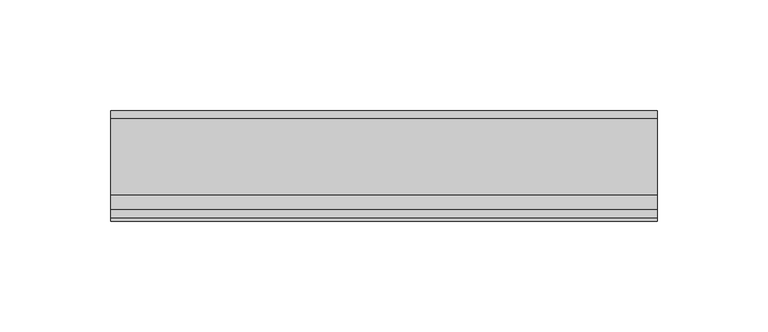
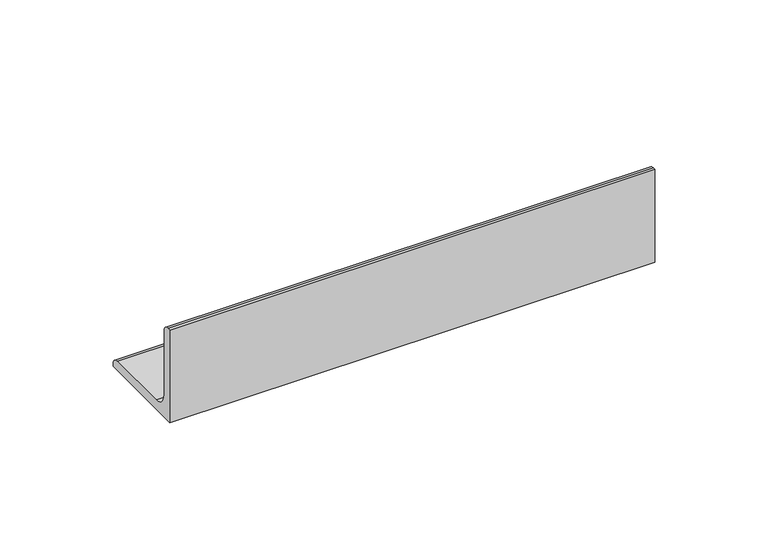
"""IFC4 building model written with IfcOpenShell, lengths in millimetres: beam geometry."""

import ifcopenshell
import ifcopenshell.guid

model = None  # the IFC model being written
_history = None  # IfcOwnerHistory: only IFC2X3 demands one
_inside = {}  # id of a spatial element -> (the spatial element, [elements in it])
_under = {}  # id of a project, library or spatial element -> (it, [spatial elements below it])
_declared = {}  # id of a project -> (the project, [libraries it declares])
_typed = {}  # id of a type object -> (the type object, [elements of that type])
_made_of = {}  # id of a material, layer set ... -> (it, [elements and type objects made of it])


def new_model(schema):
    """Start an empty IFC model of exactly this schema.

    Asked for "IFC4X3", IfcOpenShell would pick the latest addendum, in which some entities
    have other attributes; the version numbers below select the first issue.
    IFC2X3 requires an IfcOwnerHistory on every rooted entity: one is made here for all.
    """
    global model, _history
    if schema == "IFC4X3":
        model = ifcopenshell.file(schema_version=(4, 3, 0, 0))
    else:
        model = ifcopenshell.file(schema=schema)
    _inside.clear()
    _under.clear()
    _declared.clear()
    _typed.clear()
    _made_of.clear()
    _history = None
    if model.schema == "IFC2X3":
        org = make("IfcOrganization", Name="unknown")
        user = make(
            "IfcPersonAndOrganization",
            ThePerson=make("IfcPerson", FamilyName="unknown"),
            TheOrganization=org,
        )
        app = make(
            "IfcApplication",
            ApplicationDeveloper=org,
            Version="unknown",
            ApplicationFullName="unknown",
            ApplicationIdentifier="unknown",
        )
        _history = make(
            "IfcOwnerHistory",
            OwningUser=user,
            OwningApplication=app,
            ChangeAction="ADDED",
            CreationDate=0,
        )
    return model


def make(cls, **values):
    """One entity of the class cls with the attributes given. An attribute that is None is left unset."""
    return model.create_entity(
        cls, **{name: value for name, value in values.items() if value is not None}
    )


def rooted(cls, **values):
    """An entity with a GlobalId (a new one), such as an element, a storey or a relation."""
    return make(cls, GlobalId=ifcopenshell.guid.new(), OwnerHistory=_history, **values)


def si_unit(unit_type, name, prefix=None):
    """IfcSIUnit, for example si_unit("LENGTHUNIT", "METRE", prefix="MILLI")."""
    return make("IfcSIUnit", UnitType=unit_type, Prefix=prefix, Name=name)


def assignment(units):
    """IfcUnitAssignment: the units of a project."""
    return None if units is None else make("IfcUnitAssignment", Units=units)


def point(xyz):
    """IfcCartesianPoint."""
    return None if xyz is None else make("IfcCartesianPoint", Coordinates=xyz)


def direction(xyz):
    """IfcDirection."""
    return None if xyz is None else make("IfcDirection", DirectionRatios=xyz)


def frame(location, z_axis=None, x_axis=None):
    """IfcAxis2Placement3D, a coordinate frame: its origin and axes. An axis left out is left unset."""
    return make(
        "IfcAxis2Placement3D",
        Location=point(location),
        Axis=direction(z_axis),
        RefDirection=direction(x_axis),
    )


def frame_2d(location, x_axis=None):
    """IfcAxis2Placement2D, a coordinate frame in the plane: its origin and x axis."""
    return make(
        "IfcAxis2Placement2D", Location=point(location), RefDirection=direction(x_axis)
    )


def origin():
    """The frame at (0, 0, 0) with its axes left unset."""
    return frame((0.0, 0.0, 0.0))


def place(relative_to, where):
    """IfcLocalPlacement: puts the frame where relative to a parent placement (None: the world)."""
    return make(
        "IfcLocalPlacement", PlacementRelTo=relative_to, RelativePlacement=where
    )


def context(
    kind, dimensions, precision=None, world=None, true_north=None, identifier=None
):
    """IfcGeometricRepresentationContext, for example the 3D "Model" context."""
    return make(
        "IfcGeometricRepresentationContext",
        ContextIdentifier=identifier,
        ContextType=kind,
        CoordinateSpaceDimension=dimensions,
        Precision=precision,
        WorldCoordinateSystem=world,
        TrueNorth=true_north,
    )


def project(units=None, contexts=None):
    """IfcProject with its units and contexts."""
    return rooted(
        "IfcProject",
        Name="project",
        RepresentationContexts=contexts,
        UnitsInContext=assignment(units),
    )


def spatial(cls, under=None, at=None, **own):
    """A site, building, storey or space (cls), placed at a placement, below another one or the project."""
    s = rooted(cls, ObjectPlacement=at, **own)
    if under is not None:
        _under.setdefault(under.id(), (under, []))[1].append(s)
    return s


def polyline(points):
    """IfcPolyline through the points."""
    return make("IfcPolyline", Points=[point(p) for p in points])


def circle_curve(where, radius):
    """IfcCircle in the frame where."""
    return make("IfcCircle", Position=where, Radius=radius)


def trimmed(basis, trim1, trim2, sense, master):
    """IfcTrimmedCurve: the piece of a basis curve between two trims."""
    return make(
        "IfcTrimmedCurve",
        BasisCurve=basis,
        Trim1=trim1,
        Trim2=trim2,
        SenseAgreement=sense,
        MasterRepresentation=master,
    )


def segment(curve, same_sense, transition):
    """IfcCompositeCurveSegment."""
    return make(
        "IfcCompositeCurveSegment",
        Transition=transition,
        SameSense=same_sense,
        ParentCurve=curve,
    )


def composite_curve(segments, self_intersect=None):
    """IfcCompositeCurve: segments joined end to end."""
    return make("IfcCompositeCurve", Segments=segments, SelfIntersect=self_intersect)


def outline(outer, holes=None, kind="AREA"):
    """IfcArbitraryClosedProfileDef: a profile drawn as a closed curve; with holes, ...WithVoids."""
    if holes is None:
        return make("IfcArbitraryClosedProfileDef", ProfileType=kind, OuterCurve=outer)
    return make(
        "IfcArbitraryProfileDefWithVoids",
        ProfileType=kind,
        OuterCurve=outer,
        InnerCurves=holes,
    )


def extrude(swept, where, along, depth):
    """IfcExtrudedAreaSolid: the profile swept, set in the frame where, extruded along a direction by depth."""
    return make(
        "IfcExtrudedAreaSolid",
        SweptArea=swept,
        Position=where,
        ExtrudedDirection=direction(along),
        Depth=depth,
    )


def shape(context_of_items, identifier, shape_type, items):
    """IfcShapeRepresentation: the items that make up one representation, for example the "Body"."""
    return make(
        "IfcShapeRepresentation",
        ContextOfItems=context_of_items,
        RepresentationIdentifier=identifier,
        RepresentationType=shape_type,
        Items=items,
    )


def source(mapping_origin, context_of_items, identifier, shape_type, items):
    """IfcRepresentationMap: a shape defined once, which mapped items show again and again."""
    return make(
        "IfcRepresentationMap",
        MappingOrigin=mapping_origin,
        MappedRepresentation=shape(context_of_items, identifier, shape_type, items),
    )


def transform(
    local_origin,
    x_axis=None,
    y_axis=None,
    z_axis=None,
    scale=None,
    scale2=None,
    scale3=None,
    uniform=True,
):
    """IfcCartesianTransformationOperator3D, or its non-uniform kind. x_axis, y_axis, z_axis: its Axis1, 2, 3."""
    if uniform:
        return make(
            "IfcCartesianTransformationOperator3D",
            Axis1=direction(x_axis),
            Axis2=direction(y_axis),
            LocalOrigin=point(local_origin),
            Scale=scale,
            Axis3=direction(z_axis),
        )
    return make(
        "IfcCartesianTransformationOperator3DnonUniform",
        Axis1=direction(x_axis),
        Axis2=direction(y_axis),
        LocalOrigin=point(local_origin),
        Scale=scale,
        Axis3=direction(z_axis),
        Scale2=scale2,
        Scale3=scale3,
    )


def mapped(mapping_source, mapping_target):
    """IfcMappedItem: shows the shape of a source again, moved by a transform."""
    return make(
        "IfcMappedItem", MappingSource=mapping_source, MappingTarget=mapping_target
    )


def made_of(thing, what):
    """Note that an element or type object is made of a material, layer set ...; save() writes the relation."""
    if what is not None:
        _made_of.setdefault(what.id(), (what, []))[1].append(thing)
    return thing


def element(
    cls,
    number,
    at=None,
    inside=None,
    cuts=None,
    type_object=None,
    material=None,
    context=None,
    identifier="Body",
    shape_type=None,
    held_by="IfcProductDefinitionShape",
    body=None,
    shapes=None,
    **own,
):
    """One element of the class cls, such as IfcWall. Its Tag is "e" and its number.

    at: its placement. inside: the storey or other place that contains it. cuts: it is an
    opening in that element (IfcRelVoidsElement). A single representation is given by context,
    identifier, shape_type and body (its items); several are given by shapes. held_by: the class
    of the entity that holds the representations. save() writes the other relations.
    """
    e = rooted(cls, Tag="e%d" % number, ObjectPlacement=at, **own)
    if body is not None:
        shapes = [shape(context, identifier, shape_type, body)]
    if shapes is not None:
        e.Representation = make(held_by, Representations=shapes)
    if inside is not None:
        _inside.setdefault(inside.id(), (inside, []))[1].append(e)
    if cuts is not None:
        rooted(
            "IfcRelVoidsElement", RelatingBuildingElement=cuts, RelatedOpeningElement=e
        )
    if type_object is not None:
        _typed.setdefault(type_object.id(), (type_object, []))[1].append(e)
    return made_of(e, material)


def aggregate(whole, parts):
    """IfcRelAggregates: a whole, such as a stair, and the parts it consists of."""
    return rooted("IfcRelAggregates", RelatingObject=whole, RelatedObjects=parts)


def save(model, path):
    """Write the relations noted so far, then the file.

    IfcRelAggregates (storeys below a building ...), IfcRelContainedInSpatialStructure (elements
    in a storey), IfcRelDefinesByType, IfcRelAssociatesMaterial and IfcRelDeclares: one each for
    every whole, place, type object, material and project.
    """
    for whole, parts in _under.values():
        aggregate(whole, parts)
    for where, things in _inside.values():
        rooted(
            "IfcRelContainedInSpatialStructure",
            RelatedElements=things,
            RelatingStructure=where,
        )
    for kind, things in _typed.values():
        rooted("IfcRelDefinesByType", RelatedObjects=things, RelatingType=kind)
    for what, things in _made_of.values():
        rooted("IfcRelAssociatesMaterial", RelatedObjects=things, RelatingMaterial=what)
    for by, libraries in _declared.values():
        rooted("IfcRelDeclares", RelatingContext=by, RelatedDefinitions=libraries)
    model.write(path)


def beam_ea455086(model_context):
    return source(origin(), model_context, "Body", "SweptSolid", [
        extrude(outline(composite_curve([segment(polyline([(-14.04, -14.04), (-14.04, 35.96), (-12.54, 35.96)]), True, "CONTINUOUS"), segment(trimmed(circle_curve(frame_2d((-12.54, 32.46)), 3.5), [point((-12.54, 35.96))], [point((-9.04, 32.46))], False, "CARTESIAN"), True, "CONTINUOUS"), segment(polyline([(-9.04, 32.46), (-9.04, -2.04)]), True, "CONTINUOUS"), segment(trimmed(circle_curve(frame_2d((-2.04, -2.04)), 7.0), [point((-9.04, -2.04))], [point((-2.04, -9.04))], True, "CARTESIAN"), True, "CONTINUOUS"), segment(polyline([(-2.04, -9.04), (32.46, -9.04)]), True, "CONTINUOUS"), segment(trimmed(circle_curve(frame_2d((32.46, -12.54)), 3.5), [point((32.46, -9.04))], [point((35.96, -12.54))], False, "CARTESIAN"), True, "CONTINUOUS"), segment(polyline([(35.96, -12.54), (35.96, -14.04), (-14.04, -14.04)]), True, "CONTINUOUS")], self_intersect=False)), frame((-123.75, 0.0, 0.0), z_axis=(1.0, 0.0, 0.0), x_axis=(0.0, 1.0, 0.0)), (0.0, 0.0, 1.0), 247.5),
    ])


if __name__ == "__main__":
    model = new_model("IFC4")
    model_context = context("Model", 3, world=origin())
    ifc_project = project(units=[si_unit("LENGTHUNIT", "METRE", prefix="MILLI")], contexts=[model_context])
    site = spatial("IfcSite", under=ifc_project)
    building = spatial("IfcBuilding", under=site)
    placement = place(None, origin())
    beam_shape = beam_ea455086(model_context)
    element("IfcBeam", 1, at=placement, inside=building, context=model_context, shape_type="MappedRepresentation", body=[
        mapped(beam_shape, transform((0.0, 0.0, 0.0), x_axis=(1.0, 0.0, 0.0), y_axis=(0.0, 1.0, 0.0), z_axis=(0.0, 0.0, 1.0))),
    ])
    save(model, "model.ifc")
